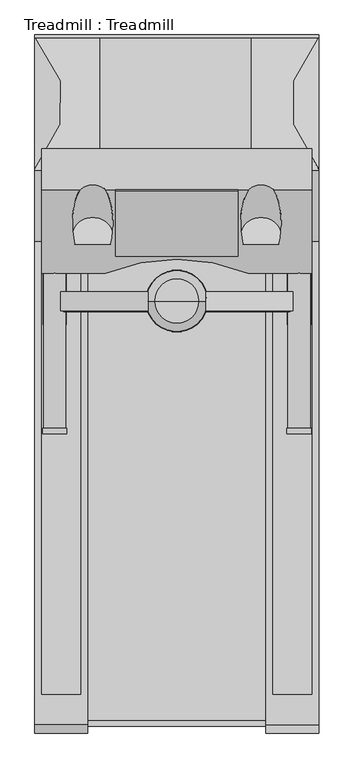
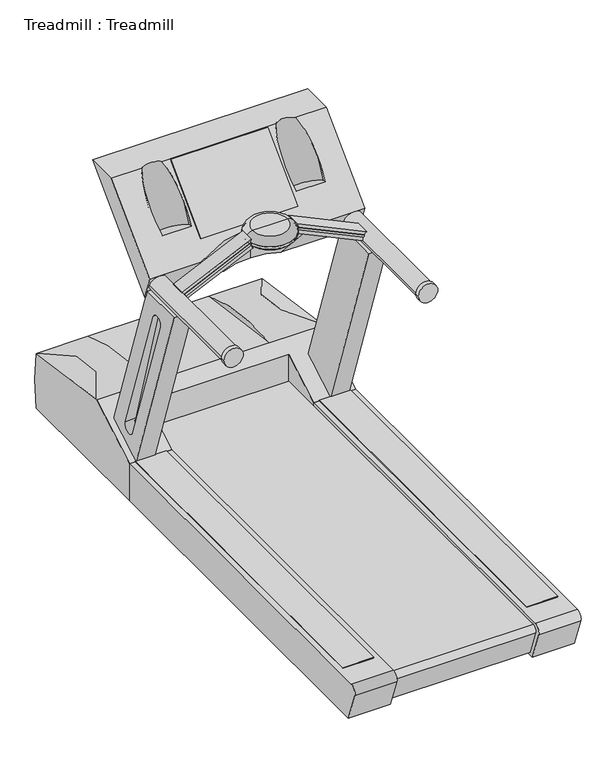
"""IFC4 building model written with IfcOpenShell, lengths in millimetres: proxy geometry, Treadmill : Treadmill."""

from ifc_helpers import new_model, si_unit, point, frame, frame_2d, origin, origin_with_axes, place, context, project, spatial, polyline, circle_curve, ellipse_curve, trimmed, segment, composite_curve, outline, extrude, source, transform, mapped, element, save
from ifc_brep_helpers import plane_surface, cylinder_surface, revolved_surface, advanced_brep


def treadmill_treadmill_32392526(model_context):
    return source(origin(), model_context, "Body", "SolidModel", [
        advanced_brep(
        [(-349.1721585, 1352.55, 1114.5524225), (-539.8278415, 1352.55, 1114.5524225), (-444.5, 1352.55, 1114.5524225), (-349.1721585, 1352.55, 1105.8211725), (-539.8278415, 1352.55, 1105.8211725), (-444.5, 1352.55, 1105.8211725)],
        [
            (0, 1, circle_curve(frame((-444.5, 1352.55, 1114.5524225), z_axis=(0.0, 0.0, 1.0), x_axis=(-1.0, 0.0, 0.0)), 95.3278415)),
            (1, 2),
            (2, 0),
            (1, 0, circle_curve(frame((-444.5, 1352.55, 1114.5524225), z_axis=(0.0, 0.0, 1.0), x_axis=(-1.0, 0.0, 0.0)), 95.3278415)),
            (3, 4, circle_curve(frame((-444.5, 1352.55, 1105.8211725), z_axis=(0.0, 0.0, 1.0), x_axis=(-1.0, 0.0, 0.0)), 95.3278415)),
            (4, 1, circle_curve(frame((-533.827584, 1352.55, 1110.1867975), z_axis=(0.0, 1.0, 0.0), x_axis=(1.0, 0.0, 0.0)), 7.4203619)),
            (0, 3, circle_curve(frame((-355.172416, 1352.55, 1110.1867975), z_axis=(0.0, 1.0, 0.0), x_axis=(-1.0, 0.0, 0.0)), 7.4203619)),
            (4, 3, circle_curve(frame((-444.5, 1352.55, 1105.8211725), z_axis=(0.0, 0.0, 1.0), x_axis=(-1.0, 0.0, 0.0)), 95.3278415)),
            (5, 4),
            (3, 5),
        ],
        [
            plane_surface(frame((-444.5, 1352.55, 1114.5524225), z_axis=(0.0, 0.0, 1.0), x_axis=(-1.0, 0.0, 0.0))),
            revolved_surface(trimmed(ellipse_curve(frame((-533.827584, 1352.55, 1110.1867975), z_axis=(0.0, -1.0, 0.0), x_axis=(1.0, 0.0, 0.0)), 7.4203619, 7.4203619), [point((-539.8278415, 1352.55, 1114.5524225))], [point((-539.8278415, 1352.55, 1105.8211725))], True, "CARTESIAN"), (-444.5, 1352.55, 1105.8211725), (0.0, 0.0, -1.0)),
            plane_surface(frame((-444.5, 1352.55, 1105.8211725), z_axis=(0.0, 0.0, -1.0), x_axis=(-1.0, 0.0, 0.0))),
        ],
        [
            (0, [[1, 2, 3]]),
            (0, [[4, -3, -2]]),
            (1, [[5, 6, -1, 7]]),
            (1, [[8, -7, -4, -6]]),
            (2, [[9, -5, 10]]),
            (2, [[-10, -8, -9]]),
        ],
    ),
        extrude(outline(polyline([(1115.7430475, -351.0103633), (1107.377116, -354.9284687), (984.7314722, -93.0557072), (991.6787291, -86.1084503), (1115.7430475, -351.0103633)])), frame((0.0, 1319.6091786, 0.0), z_axis=(0.0, 1.0, 0.0), x_axis=(0.0, 0.0, 1.0)), (0.0, 0.0, 1.0), 3.175),
        extrude(outline(polyline([(1115.7430475, -537.9896367), (991.6787291, -802.8915497), (984.7314722, -795.9442928), (1107.377116, -534.0715313), (1115.7430475, -537.9896367)])), frame((0.0, 1319.6091786, 0.0), z_axis=(0.0, 1.0, 0.0), x_axis=(0.0, 0.0, 1.0)), (0.0, 0.0, 1.0), 3.175),
        extrude(outline(composite_curve([segment(polyline([(1002.5022314, -80.7346316), (1129.8023351, -353.730585)]), True, "CONTINUOUS"), segment(trimmed(circle_curve(frame_2d((1114.8477313, -375.5559384)), 26.4572528), [point((1129.8023351, -353.730585))], [point((1092.8061427, -360.9219163))], True, "CARTESIAN"), True, "CONTINUOUS"), segment(polyline([(1092.8061427, -360.9219163), (969.3593485, -96.1894118)]), True, "CONTINUOUS"), segment(trimmed(circle_curve(frame_2d((973.4986498, -61.8012111)), 34.6364282), [point((969.3593485, -96.1894118))], [point((1002.5022314, -80.7346316))], True, "CARTESIAN"), True, "CONTINUOUS")], self_intersect=False)), frame((0.0, 1322.7841786, 0.0), z_axis=(0.0, 1.0, 0.0), x_axis=(0.0, 0.0, 1.0)), (0.0, 0.0, 1.0), 58.6752674),
        extrude(outline(composite_curve([segment(trimmed(circle_curve(frame_2d((973.4986498, -827.1987889)), 34.6364282), [point((1002.5022314, -808.2653684))], [point((969.3593485, -792.8105882))], True, "CARTESIAN"), True, "CONTINUOUS"), segment(polyline([(969.3593485, -792.8105882), (1092.8061427, -528.0780837)]), True, "CONTINUOUS"), segment(trimmed(circle_curve(frame_2d((1114.8477313, -513.4440616)), 26.4572528), [point((1092.8061427, -528.0780837))], [point((1129.8023351, -535.269415))], True, "CARTESIAN"), True, "CONTINUOUS"), segment(polyline([(1129.8023351, -535.269415), (1002.5022314, -808.2653684)]), True, "CONTINUOUS")], self_intersect=False)), frame((0.0, 1322.7841786, 0.0), z_axis=(0.0, 1.0, 0.0), x_axis=(0.0, 0.0, 1.0)), (0.0, 0.0, 1.0), 58.6752674),
        advanced_brep(
        [(-514.35, 1352.55, 1090.0482505), (-374.65, 1352.55, 1090.0482505), (-444.5, 1352.55, 1090.0482505), (-514.35, 1352.55, 1140.8482505), (-374.65, 1352.55, 1140.8482505), (-444.5, 1352.55, 1140.8482505)],
        [
            (0, 1, circle_curve(frame((-444.5, 1352.55, 1090.0482505), z_axis=(0.0, 0.0, -1.0), x_axis=(1.0, 0.0, 0.0)), 69.85)),
            (1, 2),
            (2, 0),
            (1, 0, circle_curve(frame((-444.5, 1352.55, 1090.0482505), z_axis=(0.0, 0.0, -1.0), x_axis=(1.0, 0.0, 0.0)), 69.85)),
            (3, 4, circle_curve(frame((-444.5, 1352.55, 1140.8482505), z_axis=(0.0, 0.0, -1.0), x_axis=(1.0, 0.0, 0.0)), 69.85)),
            (4, 1, circle_curve(frame((-374.65, 1352.55, 1115.4482505), z_axis=(0.0, 1.0, 0.0), x_axis=(1.0, 0.0, 0.0)), 25.4)),
            (0, 3, circle_curve(frame((-514.35, 1352.55, 1115.4482505), z_axis=(0.0, 1.0, 0.0), x_axis=(-1.0, 0.0, 0.0)), 25.4)),
            (4, 3, circle_curve(frame((-444.5, 1352.55, 1140.8482505), z_axis=(0.0, 0.0, -1.0), x_axis=(1.0, 0.0, 0.0)), 69.85)),
            (5, 4),
            (3, 5),
        ],
        [
            plane_surface(frame((-444.5, 1352.55, 1090.0482505), z_axis=(0.0, 0.0, -1.0), x_axis=(1.0, 0.0, 0.0))),
            revolved_surface(trimmed(ellipse_curve(frame((-374.65, 1352.55, 1115.4482505), z_axis=(0.0, -1.0, 0.0), x_axis=(1.0, 0.0, 0.0)), 25.4, 25.4), [point((-374.65, 1352.55, 1090.0482505))], [point((-374.65, 1352.55, 1140.8482505))], True, "CARTESIAN"), (-444.5, 1352.55, 1140.8482505), (0.0, 0.0, 1.0)),
            plane_surface(frame((-444.5, 1352.55, 1140.8482505), z_axis=(0.0, 0.0, 1.0), x_axis=(1.0, 0.0, 0.0))),
        ],
        [
            (0, [[1, 2, 3]]),
            (0, [[4, -3, -2]]),
            (1, [[5, 6, -1, 7]]),
            (1, [[8, -7, -4, -6]]),
            (2, [[9, -5, 10]]),
            (2, [[-10, -8, -9]]),
        ],
    ),
        extrude(outline(composite_curve([segment(trimmed(circle_curve(frame_2d((973.5491284, -61.8652712)), 38.1), [point((973.5491284, -23.7652712))], [point((973.5491284, -99.9652712))], False, "CARTESIAN"), True, "CONTINUOUS"), segment(trimmed(circle_curve(frame_2d((973.5491284, -61.8652712)), 38.1), [point((973.5491284, -99.9652712))], [point((973.5491284, -23.7652712))], False, "CARTESIAN"), True, "CONTINUOUS")], self_intersect=False)), frame((0.0, 937.156351, 0.0), z_axis=(0.0, 1.0, 0.0), x_axis=(0.0, 0.0, 1.0)), (0.0, 0.0, 1.0), 17.3752344),
        extrude(outline(composite_curve([segment(trimmed(circle_curve(frame_2d((973.4986498, -61.8012111)), 34.6364282), [point((973.4986498, -27.1647829))], [point((973.4986498, -96.4376393))], False, "CARTESIAN"), True, "CONTINUOUS"), segment(trimmed(circle_curve(frame_2d((973.4986498, -61.8012111)), 34.6364282), [point((973.4986498, -96.4376393))], [point((973.4986498, -27.1647829))], False, "CARTESIAN"), True, "CONTINUOUS")], self_intersect=False)), frame((0.0, 954.5315853, 0.0), z_axis=(0.0, 1.0, 0.0), x_axis=(0.0, 0.0, 1.0)), (0.0, 0.0, 1.0), 528.1223193),
        extrude(outline(composite_curve([segment(trimmed(circle_curve(frame_2d((973.5491284, -827.1347288)), 38.1), [point((973.5491284, -865.2347288))], [point((973.5491284, -789.0347288))], False, "CARTESIAN"), True, "CONTINUOUS"), segment(trimmed(circle_curve(frame_2d((973.5491284, -827.1347288)), 38.1), [point((973.5491284, -789.0347288))], [point((973.5491284, -865.2347288))], False, "CARTESIAN"), True, "CONTINUOUS")], self_intersect=False)), frame((0.0, 937.156351, 0.0), z_axis=(0.0, 1.0, 0.0), x_axis=(0.0, 0.0, 1.0)), (0.0, 0.0, 1.0), 17.3752344),
        extrude(outline(composite_curve([segment(trimmed(circle_curve(frame_2d((973.4986498, -827.1987889)), 34.6364282), [point((973.4986498, -861.8352171))], [point((973.4986498, -792.5623607))], False, "CARTESIAN"), True, "CONTINUOUS"), segment(trimmed(circle_curve(frame_2d((973.4986498, -827.1987889)), 34.6364282), [point((973.4986498, -792.5623607))], [point((973.4986498, -861.8352171))], False, "CARTESIAN"), True, "CONTINUOUS")], self_intersect=False)), frame((0.0, 954.5315853, 0.0), z_axis=(0.0, 1.0, 0.0), x_axis=(0.0, 0.0, 1.0)), (0.0, 0.0, 1.0), 528.1223193),
        extrude(outline(polyline([(1700.9655905, 1270.0), (1494.5976053, 1063.6320148), (1492.5006609, 1064.7100704), (1697.7905905, 1270.0), (1700.9655905, 1270.0)])), frame((-636.2524063, 0.0, 0.0), z_axis=(1.0, 0.0, 0.0), x_axis=(0.0, 1.0, 0.0)), (0.0, 0.0, 1.0), 382.2381748),
        advanced_brep(
        [(-21.5810643, 1700.9655905, 1270.0), (-21.5810643, 1439.4528809, 1008.4872905), (-21.5810643, 1471.9818615, 914.0162711), (-21.5810643, 1827.9655905, 1270.0), (-867.4189357, 1700.9655905, 1270.0), (-867.4189357, 1827.9655905, 1270.0), (-867.4189357, 1471.9818615, 914.0162711), (-867.4189357, 1439.4528809, 1008.4872905), (-141.2212122, 1700.9655905, 1270.0), (-117.5520282, 1593.5543686, 1162.5887781), (-124.565807, 1530.5479483, 1099.5823578), (-237.5382494, 1530.5479483, 1099.5823578), (-244.5520282, 1593.5543686, 1162.5887781), (-220.8828442, 1700.9655905, 1270.0), (-668.1171558, 1700.9655905, 1270.0), (-644.4479718, 1593.5543686, 1162.5887781), (-651.4617506, 1530.5479483, 1099.5823578), (-764.434193, 1530.5479483, 1099.5823578), (-771.4479718, 1593.5543686, 1162.5887781), (-747.7787878, 1700.9655905, 1270.0), (-666.75, 1439.4528809, 1008.4872905), (-444.5, 1482.6539046, 1051.6883142), (-222.25, 1439.4528809, 1008.4872905), (-328.5288623, 1471.9818615, 914.0162711), (-560.4711377, 1471.9818615, 914.0162711), (-444.5, 1482.6539046, 924.6883142), (-644.4479718, 1556.6216029, 1086.8653868), (-771.4479718, 1556.6216029, 1086.8653868), (-117.5520282, 1556.6216029, 1086.8653868), (-244.5520282, 1556.6216029, 1086.8653868)],
        [
            (0, 1),
            (1, 2),
            (2, 3),
            (3, 0),
            (4, 5),
            (5, 6),
            (6, 7),
            (7, 4),
            (0, 8),
            (8, 9, ellipse_curve(frame((-181.0520282, 1593.5543686, 1162.5887781), z_axis=(0.0, 0.7071067811865471, -0.7071067811865479), x_axis=(0.0, 0.7071067811865479, 0.7071067811865471)), 195.0436464, 63.5)),
            (9, 10, ellipse_curve(frame((-181.0520282, 1593.5543686, 1162.5887781), z_axis=(0.0, 0.7071067811865471, -0.7071067811865479), x_axis=(0.0, 0.7071067811865479, 0.7071067811865471)), 195.0436464, 63.5)),
            (10, 11),
            (11, 12, ellipse_curve(frame((-181.0520282, 1593.5543686, 1162.5887781), z_axis=(0.0, 0.7071067811865471, -0.7071067811865479), x_axis=(0.0, 0.7071067811865479, 0.7071067811865471)), 195.0436464, 63.5)),
            (12, 13, ellipse_curve(frame((-181.0520282, 1593.5543686, 1162.5887781), z_axis=(0.0, 0.7071067811865471, -0.7071067811865479), x_axis=(0.0, 0.7071067811865479, 0.7071067811865471)), 195.0436464, 63.5)),
            (13, 14),
            (14, 15, ellipse_curve(frame((-707.9479718, 1593.5543686, 1162.5887781), z_axis=(0.0, 0.7071067811865471, -0.7071067811865479), x_axis=(0.0, 0.7071067811865479, 0.7071067811865471)), 195.0436464, 63.5)),
            (15, 16, ellipse_curve(frame((-707.9479718, 1593.5543686, 1162.5887781), z_axis=(0.0, 0.7071067811865471, -0.7071067811865479), x_axis=(0.0, 0.7071067811865479, 0.7071067811865471)), 195.0436464, 63.5)),
            (16, 17),
            (17, 18, ellipse_curve(frame((-707.9479718, 1593.5543686, 1162.5887781), z_axis=(0.0, 0.7071067811865471, -0.7071067811865479), x_axis=(0.0, 0.7071067811865479, 0.7071067811865471)), 195.0436464, 63.5)),
            (18, 19, ellipse_curve(frame((-707.9479718, 1593.5543686, 1162.5887781), z_axis=(0.0, 0.7071067811865471, -0.7071067811865479), x_axis=(0.0, 0.7071067811865479, 0.7071067811865471)), 195.0436464, 63.5)),
            (19, 4),
            (7, 20),
            (20, 21, ellipse_curve(frame((-451.8686761, 927.2733802, 496.3077897), z_axis=(0.0, 0.7071067811865471, -0.7071067811865479), x_axis=(0.0, 0.7071067811865479, 0.7071067811865471)), 785.495798, 555.4294054)),
            (21, 22, ellipse_curve(frame((-437.1313239, 927.2733802, 496.3077897), z_axis=(0.0, 0.7071067811865471, -0.7071067811865479), x_axis=(0.0, 0.7071067811865479, 0.7071067811865471)), 785.495798, 555.4294054)),
            (22, 1),
            (22, 23, ellipse_curve(frame((-437.1313239, 927.2733802, 2495.9645678), z_axis=(0.0, 0.9455185755993192, 0.32556815445715), x_axis=(0.0, -0.32556815445715004, 0.9455185755993192)), 1706.0311267, 555.4294054)),
            (23, 2),
            (6, 24),
            (24, 20, ellipse_curve(frame((-451.8686761, 927.2733802, 2495.9645678), z_axis=(0.0, 0.9455185755993192, 0.32556815445715), x_axis=(0.0, -0.32556815445715004, 0.9455185755993192)), 1706.0311267, 555.4294054)),
            (23, 25, ellipse_curve(frame((-437.1313239, 927.2733802, 369.3077897), z_axis=(0.0, -0.7071067811865469, 0.7071067811865482), x_axis=(0.0, 0.7071067811865482, 0.7071067811865467)), 785.495798, 555.4294054)),
            (25, 24, ellipse_curve(frame((-451.8686761, 927.2733802, 369.3077897), z_axis=(0.0, -0.7071067811865469, 0.7071067811865482), x_axis=(0.0, 0.7071067811865482, 0.7071067811865467)), 785.495798, 555.4294054)),
            (5, 3),
            (19, 14, ellipse_curve(frame((-707.9479718, 1645.9423219, 1270.0), z_axis=(0.0, 0.0, -1.0), x_axis=(0.0, 1.0, 0.0)), 70.6502232, 63.5)),
            (13, 8, ellipse_curve(frame((-181.0520282, 1645.9423219, 1270.0), z_axis=(0.0, 0.0, -1.0), x_axis=(0.0, 1.0, 0.0)), 70.6502232, 63.5)),
            (26, 27, circle_curve(frame((-707.9479718, 1556.6216029, 1086.8653868), z_axis=(0.0, 0.4383711467890823, 0.8987940462991646), x_axis=(1.0, 0.0, 0.0)), 63.5)),
            (27, 17, circle_curve(frame((-707.9479718, 1556.6216029, 1086.8653868), z_axis=(0.0, 0.4383711467890823, 0.8987940462991646), x_axis=(1.0, 0.0, 0.0)), 63.5)),
            (16, 26, circle_curve(frame((-707.9479718, 1556.6216029, 1086.8653868), z_axis=(0.0, 0.4383711467890823, 0.8987940462991646), x_axis=(1.0, 0.0, 0.0)), 63.5)),
            (27, 18),
            (15, 26),
            (28, 29, circle_curve(frame((-181.0520282, 1556.6216029, 1086.8653868), z_axis=(0.0, 0.4383711467890823, 0.8987940462991646), x_axis=(-1.0, 0.0, 0.0)), 63.5)),
            (29, 11, circle_curve(frame((-181.0520282, 1556.6216029, 1086.8653868), z_axis=(0.0, 0.4383711467890823, 0.8987940462991646), x_axis=(-1.0, 0.0, 0.0)), 63.5)),
            (10, 28, circle_curve(frame((-181.0520282, 1556.6216029, 1086.8653868), z_axis=(0.0, 0.4383711467890823, 0.8987940462991646), x_axis=(-1.0, 0.0, 0.0)), 63.5)),
            (28, 9),
            (12, 29),
            (21, 25),
        ],
        [
            plane_surface(frame((-21.5810643, 1439.4528809, 1008.4872905), z_axis=(1.0, 0.0, 0.0), x_axis=(0.0, -0.7071067811865479, -0.7071067811865471))),
            plane_surface(frame((-867.4189357, 1439.4528809, 1008.4872905), z_axis=(-1.0, 0.0, 0.0), x_axis=(0.0, 0.7071067811865479, 0.7071067811865471))),
            plane_surface(frame((-21.5810643, 1700.9655905, 1270.0), z_axis=(0.0, -0.7071067811865471, 0.7071067811865479), x_axis=(-1.0, 0.0, 0.0))),
            plane_surface(frame((-21.5810643, 1439.4528809, 1008.4872905), z_axis=(0.0, -0.9455185755993192, -0.32556815445715), x_axis=(-1.0, 0.0, 0.0))),
            plane_surface(frame((-21.5810643, 1471.9818615, 914.0162711), z_axis=(0.0, 0.7071067811865469, -0.7071067811865482), x_axis=(-1.0, 0.0, 0.0))),
            plane_surface(frame((-21.5810643, 1827.9655905, 1270.0), z_axis=(0.0, 0.0, 1.0), x_axis=(-1.0, 0.0, 0.0))),
            plane_surface(frame((-644.4479718, 1556.6216029, 1086.8653868), z_axis=(0.0, 0.4383711467890823, 0.8987940462991646), x_axis=(0.0, -0.8987940462991646, 0.4383711467890823))),
            revolved_surface(polyline([(-644.4479718, 1674.3976316220792, 1328.3420309348294), (-644.4479718, 1512.7111055031723, 996.8355253016277)]), (-707.9479718, 1556.6216029, 1086.8653868), (0.0, 0.4383711467890823, 0.8987940462991646)),
            plane_surface(frame((-244.5520282, 1556.6216029, 1086.8653868), z_axis=(0.0, 0.4383711467890823, 0.8987940462991646), x_axis=(0.0, 0.8987940462991646, -0.4383711467890823))),
            revolved_surface(polyline([(-244.5520282, 1674.3976316220792, 1328.3420309348294), (-244.5520282, 1512.7111055031723, 996.8355253016277)]), (-181.0520282, 1556.6216029, 1086.8653868), (0.0, 0.4383711467890823, 0.8987940462991646)),
            revolved_surface(polyline([(-992.5607292999999, 927.2733802, 4109.0486886454855), (-992.5607292999999, 927.2733802, -186.12161565933798)]), (-437.1313239, 927.2733802, 914.0162711), (0.0, 0.0, 1.0)),
            revolved_surface(polyline([(103.56072929999993, 927.2733802, 4109.0486886454855), (103.56072929999993, 927.2733802, -186.12161565933798)]), (-451.8686761, 927.2733802, 914.0162711), (0.0, 0.0, 1.0)),
        ],
        [
            (0, [[1, 2, 3, 4]]),
            (1, [[5, 6, 7, 8]]),
            (2, [[-1, 9, 10, 11, 12, 13, 14, 15, 16, 17, 18, 19, 20, 21, -8, 22, 23, 24, 25]]),
            (3, [[-2, -25, 26, 27]]),
            (3, [[-7, 28, 29, -22]]),
            (4, [[-3, -27, 30, 31, -28, -6, 32]]),
            (5, [[-4, -32, -5, -21, 33, -15, 34, -9]]),
            (6, [[35, 36, -18, 37]]),
            (7, [[-36, 38, -19]]),
            (7, [[-37, -17, 39]]),
            (7, [[-35, -39, -16, -33, -20, -38]]),
            (8, [[40, 41, -12, 42]]),
            (9, [[-40, 43, -10, -34, -14, 44]]),
            (9, [[-41, -44, -13]]),
            (9, [[-42, -11, -43]]),
            (10, [[45, -30, -26, -24]]),
            (11, [[-45, -23, -29, -31]]),
        ],
    ),
        advanced_brep(
        [(-848.2876226, 1373.1040381, 849.5007853), (-845.1146481, 1373.1040381, 849.6156179), (-821.8631251, 1563.5861071, 294.8505205), (-825.0360996, 1563.5861071, 294.7356878), (-848.4247924, 1372.7398829, 852.7735595), (-845.2521976, 1372.7394679, 852.8974534), (-822.1605265, 1613.0664564, 301.9463105), (-825.3331212, 1613.0660431, 301.8224166), (-824.9387113, 1563.5861071, 292.4120711), (-848.1898549, 1373.1040381, 847.1681159), (-845.0176399, 1373.1040381, 847.3010709), (-821.7664963, 1563.5861071, 292.5450261)],
        [
            (0, 1),
            (1, 2),
            (2, 3),
            (3, 0),
            (0, 4, ellipse_curve(frame((-848.4736782, 1398.1547124, 853.93994), z_axis=(-0.9991228318799896, 0.0, -0.041875611232674984), x_axis=(-0.04187561123264924, 0.0, 0.9991228318799907)), 25.4420414, 25.4416263)),
            (4, 5),
            (5, 1, ellipse_curve(frame((-845.3007036, 1398.1547124, 854.0547726), z_axis=(0.9991228318799896, 0.0, 0.041875611232674984), x_axis=(-0.04187561123264924, 0.0, 0.9991228318799907)), 25.4420414, 25.4416263)),
            (2, 6, ellipse_curve(frame((-822.2088441, 1587.6510073, 303.0991343), z_axis=(0.9991228318799896, 0.0, 0.041875611232674984), x_axis=(-0.04187561123264929, 0.0, 0.9991228318799906)), 25.4420414, 25.4416263)),
            (6, 7),
            (7, 3, ellipse_curve(frame((-825.3818186, 1587.6510073, 302.9843017), z_axis=(-0.9991228318799896, 0.0, -0.041875611232674984), x_axis=(-0.04187561123264929, 0.0, 0.9991228318799906)), 25.4420414, 25.4416263)),
            (8, 9),
            (9, 4, circle_curve(frame((-848.3759074, 1398.1547124, 851.6071981), z_axis=(-0.9991228318799895, 0.0, -0.04187561123267499), x_axis=(-0.025781047294201585, 0.7880136137091434, 0.6151177791362166)), 25.4416263)),
            (7, 8, circle_curve(frame((-825.2844247, 1587.6510073, 300.6605504), z_axis=(-0.9991228318799896, 0.0, -0.041875611232674984), x_axis=(0.0, 1.0, 0.0)), 25.4416263)),
            (10, 11),
            (11, 6, circle_curve(frame((-822.1122097, 1587.6510073, 300.7935054), z_axis=(0.9991228318799896, 0.0, 0.041875611232674984), x_axis=(0.0, 1.0, 0.0)), 25.4416263)),
            (5, 10, circle_curve(frame((-845.2036924, 1398.1547124, 851.7401532), z_axis=(0.9991228318799895, 0.0, 0.04187561123267499), x_axis=(-0.025781047294201585, 0.7880136137091434, 0.6151177791362166)), 25.4416263)),
            (8, 11),
            (10, 9),
        ],
        [
            plane_surface(frame((-878.4983709, 1563.5861071, 292.8008432), z_axis=(-0.011736121747804657, 0.9458868663800291, 0.3242842880191543), x_axis=(0.9993457540594537, 0.0, 0.036167165265498895))),
            revolved_surface(polyline([(-849.1854261948184, 1418.2030602793006, 869.5877716000386), (-845.721952527889, 1418.2030602793006, 869.7131176316756)]), (-841.8407443, 1398.1547124, 854.1799914), (-0.9993457540594535, 0.0, -0.03616716526549886)),
            revolved_surface(polyline([(-825.52706813318, 1613.0926336, 302.9790449763157), (-822.0635945661197, 1613.0926336, 303.10439100433825)]), (-821.8970719, 1587.6510073, 303.1104176), (-0.9993457540594537, 0.0, -0.036167165265498874)),
            plane_surface(frame((-849.6414399, 1361.2121106, 881.8019201), z_axis=(-0.9991228318799896, 0.0, -0.041875611232674984), x_axis=(-0.039609590686623286, -0.3244965885949635, 0.945057164575704))),
            plane_surface(frame((-846.4692249, 1361.2121106, 881.9348751), z_axis=(0.9991228318799896, 0.0, 0.041875611232674984), x_axis=(0.039609590686623286, 0.3244965885949635, -0.945057164575704))),
            plane_surface(frame((-824.9387113, 1563.5861071, 292.4120711), z_axis=(0.013588492990329883, -0.9458868663800292, -0.324211950532396), x_axis=(0.9991228318799898, 0.0, 0.04187561123266856))),
            cylinder_surface(frame((-845.2036924, 1398.1547124, 851.7401532), z_axis=(-0.9991228318799897, 0.0, -0.041875611232675), x_axis=(-0.025781047294201585, 0.7880136137091434, 0.6151177791362166)), 25.4416263),
            cylinder_surface(frame((-822.1122097, 1587.6510073, 300.7935054), z_axis=(-0.9991228318799896, 0.0, -0.041875611232674984), x_axis=(0.0, 1.0, 0.0)), 25.4416263),
        ],
        [
            (0, [[1, 2, 3, 4]]),
            (1, [[-1, 5, 6, 7]]),
            (2, [[-3, 8, 9, 10]]),
            (3, [[11, 12, -5, -4, -10, 13]]),
            (4, [[14, 15, -8, -2, -7, 16]]),
            (5, [[-11, 17, -14, 18]]),
            (6, [[-18, -16, -6, -12]]),
            (7, [[-17, -13, -9, -15]]),
        ],
    ),
        advanced_brep(
        [(-863.6, 1538.6841786, 188.3482505), (-863.6, 1278.4930176, 943.9982505), (-863.6, 1461.6582381, 943.9982505), (-863.6, 1691.0841786, 277.6969387), (-863.6, 1691.0841786, 188.3482505), (-863.6, 1563.5861071, 293.3400278), (-863.6, 1611.7065568, 309.8895036), (-863.6, 1420.4970688, 865.5699204), (-863.6, 1373.1040381, 848.9466174), (-790.4654534, 1538.6841786, 188.3482505), (-790.4654534, 1691.0841786, 188.3482505), (-790.4654534, 1691.0841786, 277.6969387), (-790.4654534, 1461.6582381, 943.9982505), (-790.4654534, 1278.4930176, 943.9982505), (-821.5984859, 1563.5861071, 294.860098), (-841.6800543, 1373.1040381, 849.7399188), (-842.2808787, 1420.4970688, 866.3414774), (-822.1966419, 1611.7065568, 311.387926)],
        [
            (0, 1),
            (1, 2),
            (2, 3),
            (3, 4),
            (4, 0),
            (5, 6, ellipse_curve(frame((-863.6, 1587.6510073, 301.6011535), z_axis=(1.0, 0.0, 0.0), x_axis=(0.0, 0.0, -1.0)), 25.4582823, 25.4416263)),
            (6, 7),
            (7, 8, ellipse_curve(frame((-863.6, 1398.1547124, 853.3925056), z_axis=(1.0, 0.0, 0.0), x_axis=(0.0, 0.0, -1.0)), 25.4582823, 25.4416263)),
            (8, 5),
            (9, 10),
            (10, 11),
            (11, 12),
            (12, 13),
            (13, 9),
            (0, 9),
            (13, 1),
            (12, 2),
            (11, 3),
            (10, 4),
            (14, 15),
            (15, 16, circle_curve(frame((-841.8407443, 1398.1547124, 854.1799914), z_axis=(-0.9993457540594537, 0.0, -0.03616716526549887), x_axis=(-0.022266597925607597, 0.7880136137091435, 0.6152550229180385)), 25.4416263)),
            (16, 17),
            (17, 14, circle_curve(frame((-821.8970719, 1587.6510073, 303.1104176), z_axis=(-0.9993457540594537, 0.0, -0.036167165265498874), x_axis=(0.0, 1.0, 0.0)), 25.4416263)),
            (14, 5),
            (8, 15),
            (7, 16),
            (6, 17),
        ],
        [
            plane_surface(frame((-863.6, 1287.1431337, 918.8764891), z_axis=(-1.0000000000000002, 0.0, 0.0), x_axis=(0.0, -0.3255681544571555, 0.9455185755993173))),
            plane_surface(frame((-790.4654534, 1287.1431337, 918.8764891), z_axis=(1.0000000000000002, 0.0, 0.0), x_axis=(0.0, 0.3255681544571555, -0.9455185755993173))),
            plane_surface(frame((-863.6, 1538.6841786, 188.3482505), z_axis=(0.0, -0.9455185755993173, -0.3255681544571555), x_axis=(1.0, 0.0, 0.0))),
            plane_surface(frame((-863.6, 1278.4930176, 943.9982505), z_axis=(0.0, 0.0, 1.0), x_axis=(1.0, 0.0, 0.0))),
            plane_surface(frame((-863.6, 1461.6582381, 943.9982505), z_axis=(0.0, 0.9455185755993173, 0.3255681544571554), x_axis=(1.0, 0.0, 0.0))),
            plane_surface(frame((-863.6, 1691.0841786, 277.6969387), z_axis=(0.0, 1.0, 0.0), x_axis=(1.0, 0.0, 0.0))),
            plane_surface(frame((-863.6, 1691.0841786, 188.3482505), z_axis=(0.0, 0.0, -1.0), x_axis=(1.0, 0.0, 0.0))),
            plane_surface(frame((-842.9337606, 1361.2121106, 884.3814504), z_axis=(-0.9993457540594538, 0.0, -0.03616716526549888), x_axis=(0.03421004661883137, 0.3244965885949638, -0.9452680237374839))),
            plane_surface(frame((-878.4983709, 1563.5861071, 292.8008432), z_axis=(-0.011736121747804657, 0.9458868663800291, 0.3242842880191543), x_axis=(0.9993457540594537, 0.0, 0.036167165265498895))),
            revolved_surface(polyline([(-865.0866499669826, 1418.2030602793006, 869.0122929073485), (-842.4072427332349, 1418.2030602793006, 869.8330797733702)]), (-841.8407443, 1398.1547124, 854.1799914), (-0.9993457540594535, 0.0, -0.03616716526549886)),
            plane_surface(frame((-899.1807638, 1420.4970688, 864.2822226), z_axis=(0.01177479781541454, -0.945519331824882, -0.32535295800381925), x_axis=(0.9993457540594537, 0.0, 0.036167165265498895))),
            revolved_surface(polyline([(-864.5201515030005, 1613.0926336, 301.567852418866), (-821.8970718932587, 1613.0926336, 303.110417600244)]), (-821.8970719, 1587.6510073, 303.1104176), (-0.9993457540594537, 0.0, -0.036167165265498874)),
        ],
        [
            (0, [[1, 2, 3, 4, 5], [6, 7, 8, 9]]),
            (1, [[10, 11, 12, 13, 14]]),
            (2, [[-1, 15, -14, 16]]),
            (3, [[-2, -16, -13, 17]]),
            (4, [[-3, -17, -12, 18]]),
            (5, [[-4, -18, -11, 19]]),
            (6, [[-5, -19, -10, -15]]),
            (7, [[20, 21, 22, 23]]),
            (8, [[-20, 24, -9, 25]]),
            (9, [[-21, -25, -8, 26]]),
            (10, [[-22, -26, -7, 27]]),
            (11, [[-23, -27, -6, -24]]),
        ],
    ),
        extrude(outline(composite_curve([segment(trimmed(circle_curve(frame_2d((0.0, -25.4416263)), 25.4416263), [point((-8.255721, -49.5065265))], [point((8.2829274, -1.3860768))], False, "CARTESIAN"), True, "CONTINUOUS"), segment(polyline([(8.2829274, -1.3860768), (563.5997926, -192.5955648)]), True, "CONTINUOUS"), segment(trimmed(circle_curve(frame_2d((551.4303448, -214.9379212)), 25.4416263), [point((563.5997926, -192.5955648))], [point((546.9873654, -239.9885955))], False, "CARTESIAN"), True, "CONTINUOUS"), segment(polyline([(546.9873654, -239.9885955), (-8.255721, -49.5065265)]), True, "CONTINUOUS")], self_intersect=False)), frame((-63.7155753, 1613.0926336, 300.6605504), z_axis=(-0.9991228318799895, 0.0, 0.04187561123267498), x_axis=(0.04187561123267498, 0.0, 0.9991228318799895)), (0.0, 0.0, 1.0), 3.175),
        extrude(outline(composite_curve([segment(trimmed(circle_curve(frame_2d((-108.006685, 2033.9841786)), 44.45), [point((-63.556685, 2033.9841786))], [point((-152.456685, 2033.9841786))], False, "CARTESIAN"), True, "CONTINUOUS"), segment(trimmed(circle_curve(frame_2d((-108.006685, 2033.9841786)), 44.45), [point((-152.456685, 2033.9841786))], [point((-63.556685, 2033.9841786))], False, "CARTESIAN"), True, "CONTINUOUS")], self_intersect=False)), origin_with_axes(), (0.0, 0.0, 1.0), 34.3330453),
        extrude(outline(composite_curve([segment(trimmed(circle_curve(frame_2d((-780.993315, 2033.9841786)), 44.45), [point((-825.443315, 2033.9841786))], [point((-736.543315, 2033.9841786))], False, "CARTESIAN"), True, "CONTINUOUS"), segment(trimmed(circle_curve(frame_2d((-780.993315, 2033.9841786)), 44.45), [point((-736.543315, 2033.9841786))], [point((-825.443315, 2033.9841786))], False, "CARTESIAN"), True, "CONTINUOUS")], self_intersect=False)), origin_with_axes(), (0.0, 0.0, 1.0), 34.3330453),
        extrude(outline(composite_curve([segment(trimmed(circle_curve(frame_2d((-108.006685, 154.3841786)), 44.45), [point((-63.556685, 154.3841786))], [point((-152.456685, 154.3841786))], False, "CARTESIAN"), True, "CONTINUOUS"), segment(trimmed(circle_curve(frame_2d((-108.006685, 154.3841786)), 44.45), [point((-152.456685, 154.3841786))], [point((-63.556685, 154.3841786))], False, "CARTESIAN"), True, "CONTINUOUS")], self_intersect=False)), origin_with_axes(), (0.0, 0.0, 1.0), 34.3330453),
        extrude(outline(composite_curve([segment(trimmed(circle_curve(frame_2d((-780.993315, 154.3841786)), 44.45), [point((-825.443315, 154.3841786))], [point((-736.543315, 154.3841786))], False, "CARTESIAN"), True, "CONTINUOUS"), segment(trimmed(circle_curve(frame_2d((-780.993315, 154.3841786)), 44.45), [point((-736.543315, 154.3841786))], [point((-825.443315, 154.3841786))], False, "CARTESIAN"), True, "CONTINUOUS")], self_intersect=False)), origin_with_axes(), (0.0, 0.0, 1.0), 34.3330453),
        advanced_brep(
        [(-25.4, 1538.6841786, 188.3482505), (-25.4, 1691.0841786, 188.3482505), (-25.4, 1691.0841786, 277.6969387), (-25.4, 1461.6582381, 943.9982505), (-25.4, 1278.4930176, 943.9982505), (-25.4, 1611.7065568, 309.8895036), (-25.4, 1563.5861071, 293.3400278), (-25.4, 1373.1040381, 848.9466174), (-25.4, 1420.4970688, 865.5699204), (-98.5345466, 1538.6841786, 188.3482505), (-98.5345466, 1278.4930176, 943.9982505), (-98.5345466, 1461.6582381, 943.9982505), (-98.5345466, 1691.0841786, 277.6969387), (-98.5345466, 1691.0841786, 188.3482505), (-67.4015141, 1563.5861071, 294.860098), (-66.8033581, 1611.7065568, 311.387926), (-46.7191213, 1420.4970688, 866.3414774), (-47.3199457, 1373.1040381, 849.7399188)],
        [
            (0, 1),
            (1, 2),
            (2, 3),
            (3, 4),
            (4, 0),
            (5, 6, ellipse_curve(frame((-25.4, 1587.6510073, 301.6011535), z_axis=(-1.0, 0.0, 0.0), x_axis=(0.0, 0.0, -1.0)), 25.4582823, 25.4416263)),
            (6, 7),
            (7, 8, ellipse_curve(frame((-25.4, 1398.1547124, 853.3925056), z_axis=(-1.0, 0.0, 0.0), x_axis=(0.0, 0.0, -1.0)), 25.4582823, 25.4416263)),
            (8, 5),
            (9, 10),
            (10, 11),
            (11, 12),
            (12, 13),
            (13, 9),
            (0, 9),
            (13, 1),
            (12, 2),
            (11, 3),
            (10, 4),
            (14, 15, circle_curve(frame((-67.1029281, 1587.6510073, 303.1104176), z_axis=(0.9993457540594537, 0.0, -0.036167165265498874), x_axis=(0.0, 1.0, 0.0)), 25.4416263)),
            (15, 16),
            (16, 17, circle_curve(frame((-47.1592557, 1398.1547124, 854.1799914), z_axis=(0.9993457540594537, 0.0, -0.03616716526549887), x_axis=(0.022266597925607597, 0.7880136137091435, 0.6152550229180385)), 25.4416263)),
            (17, 14),
            (14, 6),
            (5, 15),
            (8, 16),
            (7, 17),
        ],
        [
            plane_surface(frame((-25.4, 1538.6841786, 188.3482505), z_axis=(1.0, 0.0, 0.0), x_axis=(0.0, 1.0, 0.0))),
            plane_surface(frame((-98.5345466, 1538.6841786, 188.3482505), z_axis=(-1.0, 0.0, 0.0), x_axis=(0.0, -1.0, 0.0))),
            plane_surface(frame((-25.4, 1538.6841786, 188.3482505), z_axis=(0.0, 0.0, -1.0), x_axis=(-1.0, 0.0, 0.0))),
            plane_surface(frame((-25.4, 1691.0841786, 188.3482505), z_axis=(0.0, 1.0, 0.0), x_axis=(-1.0, 0.0, 0.0))),
            plane_surface(frame((-25.4, 1691.0841786, 277.6969387), z_axis=(0.0, 0.9455185755993173, 0.3255681544571555), x_axis=(-1.0, 0.0, 0.0))),
            plane_surface(frame((-25.4, 1461.6582381, 943.9982505), z_axis=(0.0, 0.0, 1.0), x_axis=(-1.0, 0.0, 0.0))),
            plane_surface(frame((-25.4, 1278.4930176, 943.9982505), z_axis=(0.0, -0.9455185755993173, -0.32556815445715537), x_axis=(-1.0, 0.0, 0.0))),
            plane_surface(frame((-67.1029281, 1613.0926336, 303.1104176), z_axis=(0.9993457540594537, 0.0, -0.036167165265498874), x_axis=(-0.036167165265498874, 0.0, -0.9993457540594537))),
            revolved_surface(polyline([(-24.479848496999537, 1613.0926336, 301.567852418866), (-67.10292810674135, 1613.0926336, 303.110417600244)]), (-67.1029281, 1587.6510073, 303.1104176), (0.9993457540594537, 0.0, -0.036167165265498874)),
            plane_surface(frame((-9.9034731, 1611.7065568, 309.3286712), z_axis=(-0.011774797815414554, -0.9455193318248821, -0.3253529580038193), x_axis=(-0.9993457540594538, 0.0, 0.036167165265498936))),
            revolved_surface(polyline([(-23.913350033017462, 1418.2030602793006, 869.0122929073485), (-46.59275726676514, 1418.2030602793006, 869.8330797733702)]), (-47.1592557, 1398.1547124, 854.1799914), (0.9993457540594535, 0.0, -0.03616716526549886)),
            plane_surface(frame((9.5799394, 1373.1040381, 847.680664), z_axis=(0.011736121747804673, 0.9458868663800292, 0.32428428801915443), x_axis=(-0.9993457540594537, 0.0, 0.03616716526549893))),
        ],
        [
            (0, [[1, 2, 3, 4, 5], [6, 7, 8, 9]]),
            (1, [[10, 11, 12, 13, 14]]),
            (2, [[-1, 15, -14, 16]]),
            (3, [[-2, -16, -13, 17]]),
            (4, [[-3, -17, -12, 18]]),
            (5, [[-4, -18, -11, 19]]),
            (6, [[-5, -19, -10, -15]]),
            (7, [[20, 21, 22, 23]]),
            (8, [[-20, 24, -6, 25]]),
            (9, [[-21, -25, -9, 26]]),
            (10, [[-22, -26, -8, 27]]),
            (11, [[-23, -27, -7, -24]]),
        ],
    ),
        extrude(outline(composite_curve([segment(polyline([(1538.6841786, 34.3330453), (47.0687069, 34.3330453), (3.4185234, 154.2609389)]), True, "CONTINUOUS"), segment(trimmed(circle_curve(frame_2d((27.2867159, 162.9482505)), 25.4), [point((3.4185234, 154.2609389))], [point((27.2867159, 188.3482505))], False, "CARTESIAN"), True, "CONTINUOUS"), segment(polyline([(27.2867159, 188.3482505), (1538.6841786, 188.3482505), (1538.6841786, 34.3330453)]), True, "CONTINUOUS")], self_intersect=False)), frame((-889.0, 0.0, 0.0), z_axis=(1.0, 0.0, 0.0), x_axis=(0.0, 1.0, 0.0)), (0.0, 0.0, 1.0), 165.1),
        extrude(outline(composite_curve([segment(polyline([(1538.6841786, 34.3330453), (47.0687069, 34.3330453), (3.4185234, 154.2609389)]), True, "CONTINUOUS"), segment(trimmed(circle_curve(frame_2d((27.2867159, 162.9482505)), 25.4), [point((3.4185234, 154.2609389))], [point((27.2867159, 188.3482505))], False, "CARTESIAN"), True, "CONTINUOUS"), segment(polyline([(27.2867159, 188.3482505), (1538.6841786, 188.3482505), (1538.6841786, 34.3330453)]), True, "CONTINUOUS")], self_intersect=False)), frame((-165.1, 0.0, 0.0), z_axis=(1.0, 0.0, 0.0), x_axis=(0.0, 1.0, 0.0)), (0.0, 0.0, 1.0), 165.1),
        advanced_brep(
        [(-165.1, 1538.6841786, 175.6482505), (-165.1, 41.8903981, 175.6482505), (-165.1, 23.9892537, 150.0827668), (-165.1, 61.4962849, 47.0330453), (-165.1, 1538.6841786, 47.0330453), (-723.9, 1538.6841786, 47.0330453), (-723.9, 61.4962849, 47.0330453), (-723.9, 23.9892537, 150.0827668), (-723.9, 41.8903981, 175.6482505), (-723.9, 1538.6841786, 175.6482505), (-165.1, 1708.5010442, 175.6482505), (-723.9, 1708.5010442, 175.6482505), (0.0, 1761.8357146, 319.1769711), (0.0, 1538.6841786, 188.3482505), (0.0, 1538.6841786, 34.3330453), (0.0, 2173.6841786, 34.3330453), (0.0, 2173.8349565, 262.1369291), (0.0, 1765.2848676, 319.5548996), (-889.0, 2173.6841786, 34.3330453), (-889.0, 1538.6841786, 34.3330453), (-889.0, 1538.6841786, 188.3482505), (-889.0, 1761.8357146, 319.1769711), (-889.0, 1765.2848676, 319.5548996), (-889.0, 2173.8349565, 262.1369291), (-886.3238132, 2173.6841786, 262.9330453), (-686.4527593, 2173.6841786, 262.9330453), (-210.3302763, 2173.6841786, 262.9330453), (-2.6761868, 2173.6841786, 262.9330453), (-210.3302763, 1761.8357146, 319.1769711), (-686.4527593, 1761.8357146, 319.1769711), (-723.9, 1538.6841786, 188.3482505), (-723.9, 1708.5010442, 287.9080548), (-165.1, 1708.5010442, 287.9080548), (-165.1, 1538.6841786, 188.3482505)],
        [
            (0, 1),
            (1, 2, circle_curve(frame((-165.1, 41.8903981, 156.5982505), z_axis=(1.0, 0.0, 0.0), x_axis=(0.0, 1.0, 0.0)), 19.05)),
            (2, 3),
            (3, 4),
            (4, 0),
            (5, 6),
            (6, 7),
            (7, 8, circle_curve(frame((-723.9, 41.8903981, 156.5982505), z_axis=(-1.0, 0.0, 0.0), x_axis=(0.0, 1.0, 0.0)), 19.05)),
            (8, 9),
            (9, 5),
            (0, 10),
            (10, 11),
            (11, 9),
            (8, 1),
            (7, 2),
            (6, 3),
            (5, 4),
            (12, 13),
            (13, 14),
            (14, 15),
            (15, 16, circle_curve(frame((0.0, 1572.3509725, 148.6330453), z_axis=(1.0, 0.0, 0.0), x_axis=(0.0, 1.0, 0.0)), 612.0997588)),
            (16, 17),
            (17, 12, circle_curve(frame((0.0, 1856.1841786, -525.9631501), z_axis=(1.0, 0.0, 0.0), x_axis=(0.0, 1.0, 0.0)), 850.3901793)),
            (18, 19),
            (19, 20),
            (20, 21),
            (21, 22, circle_curve(frame((-889.0, 1856.1841786, -525.9631501), z_axis=(-1.0, 0.0, 0.0), x_axis=(0.0, 1.0, 0.0)), 850.3901793)),
            (22, 23),
            (23, 18, circle_curve(frame((-889.0, 1572.3509725, 148.6330453), z_axis=(-1.0, 0.0, 0.0), x_axis=(0.0, 1.0, 0.0)), 612.0997588)),
            (15, 18),
            (23, 24, ellipse_curve(frame((-1572.9156714, 1572.3509725, 148.6330453), z_axis=(0.27563735581699966, -0.13378177105787276, -0.9519067631920848), x_axis=(0.9612616959383187, 0.03836130554948632, 0.2729548720179331)), 2220.6705509, 612.0997588)),
            (24, 25),
            (25, 26),
            (26, 27),
            (27, 16, ellipse_curve(frame((683.9156714, 1572.3509725, 148.6330453), z_axis=(-0.27563735581699966, -0.13378177105787276, -0.9519067631920848), x_axis=(0.9612616959383187, -0.03836130554948632, -0.2729548720179331)), 2220.6705509, 612.0997588)),
            (28, 12),
            (17, 27, ellipse_curve(frame((2875.8572172, 1856.1841786, -525.9631501), z_axis=(-0.27563735581699966, -0.13378177105787276, -0.9519067631920848), x_axis=(0.9612616959383187, -0.03836130554948632, -0.2729548720179331)), 3085.1775398, 850.3901793)),
            (26, 28, circle_curve(frame((-210.3302763, 1856.1841786, -525.9631501), z_axis=(1.0, 0.0, 0.0), x_axis=(0.0, 1.0, 0.0)), 850.3901793)),
            (21, 29),
            (29, 25, circle_curve(frame((-686.4527593, 1856.1841786, -525.9631501), z_axis=(-1.0, 0.0, 0.0), x_axis=(0.0, 1.0, 0.0)), 850.3901793)),
            (24, 22, ellipse_curve(frame((-3764.8572172, 1856.1841786, -525.9631501), z_axis=(0.27563735581699966, -0.13378177105787276, -0.9519067631920848), x_axis=(0.9612616959383187, 0.03836130554948632, 0.2729548720179331)), 3085.1775398, 850.3901793)),
            (28, 29),
            (20, 30),
            (30, 31),
            (31, 32),
            (32, 33),
            (33, 13),
            (33, 0),
            (9, 30),
            (19, 14),
            (32, 10),
            (11, 31),
            (26, 28),
            (29, 25),
        ],
        [
            plane_surface(frame((-165.1, 14.6841786, 175.6482505), z_axis=(1.0, 0.0, 0.0), x_axis=(0.0, -1.0, 0.0))),
            plane_surface(frame((-723.9, 14.6841786, 175.6482505), z_axis=(-1.0, 0.0, 0.0), x_axis=(0.0, 1.0, 0.0))),
            plane_surface(frame((-165.1, 1538.6841786, 175.6482505), z_axis=(0.0, 0.0, 1.0), x_axis=(-1.0, 0.0, 0.0))),
            cylinder_surface(frame((-723.9, 41.8903981, 156.5982505), z_axis=(1.0, 0.0, 0.0), x_axis=(0.0, 1.0, 0.0)), 19.05),
            plane_surface(frame((-165.1, 23.9892537, 150.0827668), z_axis=(0.0, -0.9396926207859093, -0.34202014332566616), x_axis=(-1.0, 0.0, 0.0))),
            plane_surface(frame((-165.1, 61.4962849, 47.0330453), z_axis=(0.0, 0.0, -1.0), x_axis=(-1.0, 0.0, 0.0))),
            plane_surface(frame((0.0, 2184.4507313, 148.6330453), z_axis=(1.0, 0.0, 0.0), x_axis=(0.0, 0.0, 1.0))),
            plane_surface(frame((-889.0, 2184.4507313, 148.6330453), z_axis=(-1.0, 0.0, 0.0), x_axis=(0.0, 0.0, -1.0))),
            cylinder_surface(frame((-889.0, 1572.3509725, 148.6330453), z_axis=(1.0, 0.0, 0.0), x_axis=(0.0, 1.0, 0.0)), 612.0997588),
            cylinder_surface(frame((-889.0, 1856.1841786, -525.9631501), z_axis=(1.0, 0.0, 0.0), x_axis=(0.0, 1.0, 0.0)), 850.3901793),
            plane_surface(frame((0.0, 1761.8357146, 319.1769711), z_axis=(0.0, -0.5057648175198158, 0.8626714028870711), x_axis=(-1.0, 0.0, 0.0))),
            plane_surface(frame((0.0, 1538.6841786, 188.3482505), z_axis=(0.0, -1.0, 0.0), x_axis=(-1.0, 0.0, 0.0))),
            plane_surface(frame((0.0, 1538.6841786, 34.3330453), z_axis=(0.0, 0.0, -1.0), x_axis=(-1.0, 0.0, 0.0))),
            plane_surface(frame((-165.1, 1538.6841786, 175.6482505), z_axis=(-1.0, 0.0, 0.0), x_axis=(0.0, 0.0, -1.0))),
            plane_surface(frame((-723.9, 1538.6841786, 175.6482505), z_axis=(1.0, 0.0, 0.0), x_axis=(0.0, 0.0, 1.0))),
            plane_surface(frame((-165.1, 1708.5010442, 175.6482505), z_axis=(0.0, -1.0, 0.0), x_axis=(-1.0, 0.0, 0.0))),
            plane_surface(frame((-210.3302763, 2706.5743578, -525.9631501), z_axis=(-1.0, 0.0, 0.0), x_axis=(0.0, 0.0, 1.0))),
            plane_surface(frame((-686.4527593, 2706.5743578, -525.9631501), z_axis=(1.0, 0.0, 0.0), x_axis=(0.0, 0.0, -1.0))),
            plane_surface(frame((-210.3302763, 1761.8357146, 319.1769711), z_axis=(0.0, 0.13530869456968372, 0.9908034906952277), x_axis=(-1.0, 0.0, 0.0))),
            plane_surface(frame((-889.0, 1761.6379615, 320.0674388), z_axis=(-0.27563735581699966, 0.13378177105787276, 0.9519067631920848), x_axis=(0.0, 0.9902680687415696, -0.13917310096007104))),
            plane_surface(frame((-109.8722118, 1766.0226587, 351.2661807), z_axis=(0.27563735581699966, 0.13378177105787276, 0.9519067631920848), x_axis=(0.0, 0.9902680687415696, -0.13917310096007104))),
        ],
        [
            (0, [[1, 2, 3, 4, 5]]),
            (1, [[6, 7, 8, 9, 10]]),
            (2, [[-1, 11, 12, 13, -9, 14]]),
            (3, [[-2, -14, -8, 15]]),
            (4, [[-3, -15, -7, 16]]),
            (5, [[-4, -16, -6, 17]]),
            (6, [[18, 19, 20, 21, 22, 23]]),
            (7, [[24, 25, 26, 27, 28, 29]]),
            (8, [[30, -29, 31, 32, 33, 34, 35, -21]]),
            (9, [[36, -23, 37, -34, 38]]),
            (9, [[39, 40, -32, 41, -27]]),
            (10, [[-18, -36, 42, -39, -26, 43, 44, 45, 46, 47]]),
            (11, [[-19, -47, 48, -5, -17, -10, 49, -43, -25, 50]]),
            (12, [[-20, -50, -24, -30]]),
            (13, [[51, -11, -48, -46]]),
            (14, [[-13, 52, -44, -49]]),
            (15, [[-51, -45, -52, -12]]),
            (16, [[53, -38]]),
            (17, [[54, -40]]),
            (18, [[-53, -33, -54, -42]]),
            (19, [[-28, -41, -31]]),
            (20, [[-22, -35, -37]]),
        ],
    ),
        extrude(outline(polyline([(-867.4189357, 122.6341786), (-867.4189357, 1538.6841786), (-745.3676942, 1538.6841786), (-745.3676942, 122.6341786), (-867.4189357, 122.6341786)])), frame((0.0, 0.0, 188.3482505), z_axis=(0.0, 0.0, 1.0), x_axis=(1.0, 0.0, 0.0)), (0.0, 0.0, 1.0), 3.571875),
        extrude(outline(polyline([(-21.5810643, 1538.6841786), (-21.5810643, 122.6341786), (-143.6323058, 122.6341786), (-143.6323058, 1538.6841786), (-21.5810643, 1538.6841786)])), frame((0.0, 0.0, 188.3482505), z_axis=(0.0, 0.0, 1.0), x_axis=(1.0, 0.0, 0.0)), (0.0, 0.0, 1.0), 3.571875),
    ])


if __name__ == "__main__":
    model = new_model("IFC4")
    model_context = context("Model", 3, world=origin())
    ifc_project = project(units=[si_unit("LENGTHUNIT", "METRE", prefix="MILLI")], contexts=[model_context])
    site = spatial("IfcSite", under=ifc_project)
    building = spatial("IfcBuilding", under=site)
    placement = place(None, origin())
    treadmill_treadmill_shape = treadmill_treadmill_32392526(model_context)
    element("IfcBuildingElementProxy", 1, Name="Treadmill : Treadmill", ObjectType="Treadmill : Treadmill", at=placement, inside=building, context=model_context, shape_type="MappedRepresentation", body=[
        mapped(treadmill_treadmill_shape, transform((0.0, 0.0, 0.0), x_axis=(1.0, 0.0, 0.0), y_axis=(0.0, 1.0, 0.0), z_axis=(0.0, 0.0, 1.0))),
    ])
    save(model, "model.ifc")
